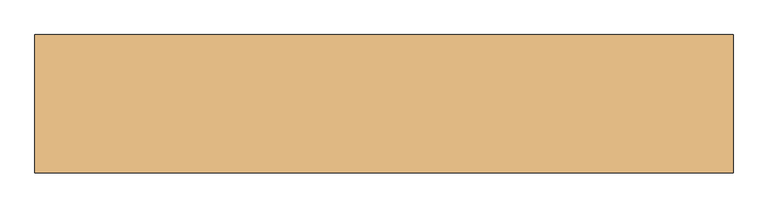
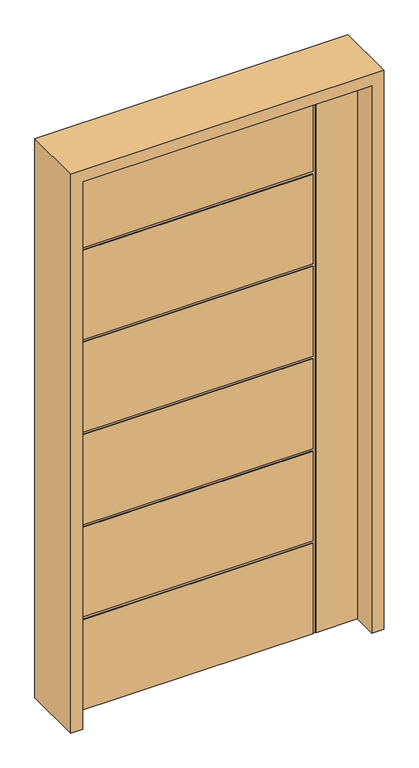
"""IFC4 building model written with IfcOpenShell, lengths in millimetres: door geometry."""

from ifc_helpers import new_model, si_unit, frame, origin, place, context, project, spatial, polyline, outline, extrude, faceted_brep, source, transform, mapped, element, save


def door_59eecf83(model_context):
    return source(origin(), model_context, "Body", "SolidModel", [
        faceted_brep([(-533.4, -22.225, 0.0), (-533.4, 22.225, 0.0), (369.824, 22.225, 0.0), (369.824, 18.923, 0.0), (379.73, 18.923, 0.0), (379.73, 22.225, 0.0), (533.4, 22.225, 0.0), (533.4, -22.225, 0.0), (379.73, -22.225, 0.0), (379.73, -19.05, 0.0), (369.824, -19.05, 0.0), (369.824, -22.225, 0.0), (-533.4, -22.225, 2133.6), (-533.4, 22.225, 2133.6), (-533.4, 22.225, 1801.368), (-533.4, 18.923, 1801.368), (-533.4, 18.923, 1791.462), (-533.4, 22.225, 1791.462), (-533.4, 22.225, 1441.45), (-533.4, 18.923, 1441.45), (-533.4, 18.923, 1431.544), (-533.4, 22.225, 1431.544), (-533.4, 22.225, 1081.532), (-533.4, 18.923, 1081.532), (-533.4, 18.923, 1071.626), (-533.4, 22.225, 1071.626), (-533.4, 22.225, 721.614), (-533.4, 18.923, 721.614), (-533.4, 18.923, 711.708), (-533.4, 22.225, 711.708), (-533.4, 22.225, 361.696), (-533.4, 18.923, 361.696), (-533.4, 18.923, 351.79), (-533.4, 22.225, 351.79), (-533.4, -22.225, 351.79), (-533.4, -19.05, 351.79), (-533.4, -19.05, 361.696), (-533.4, -22.225, 361.696), (-533.4, -22.225, 711.708), (-533.4, -19.05, 711.708), (-533.4, -19.05, 721.614), (-533.4, -22.225, 721.614), (-533.4, -22.225, 1071.626), (-533.4, -19.05, 1071.626), (-533.4, -19.05, 1081.532), (-533.4, -22.225, 1081.532), (-533.4, -22.225, 1431.544), (-533.4, -19.05, 1431.544), (-533.4, -19.05, 1441.45), (-533.4, -22.225, 1441.45), (-533.4, -22.225, 1791.462), (-533.4, -19.05, 1791.462), (-533.4, -19.05, 1801.368), (-533.4, -22.225, 1801.368), (369.824, 22.225, 351.79), (369.824, 22.225, 1791.462), (369.824, 22.225, 1441.45), (369.824, 22.225, 1431.544), (369.824, 22.225, 1081.532), (369.824, 22.225, 1071.626), (369.824, 22.225, 721.614), (369.824, 22.225, 711.708), (369.824, 22.225, 361.696), (533.4, 22.225, 2133.6), (379.73, 22.225, 2133.6), (369.824, 22.225, 2133.6), (369.824, 22.225, 1801.368), (369.824, 18.923, 351.79), (369.824, 18.923, 361.696), (369.824, 18.923, 711.708), (369.824, 18.923, 721.614), (369.824, 18.923, 1071.626), (369.824, 18.923, 1081.532), (369.824, 18.923, 1431.544), (369.824, 18.923, 1441.45), (369.824, 18.923, 1791.462), (369.824, 18.923, 1801.368), (369.824, 18.923, 2133.6), (379.73, 18.923, 2133.6), (533.4, -22.225, 2133.6), (369.824, -22.225, 351.79), (379.73, -22.225, 2133.6), (369.824, -22.225, 361.696), (369.824, -22.225, 711.708), (369.824, -22.225, 721.614), (369.824, -22.225, 1071.626), (369.824, -22.225, 1081.532), (369.824, -22.225, 1431.544), (369.824, -22.225, 1441.45), (369.824, -22.225, 1791.462), (369.824, -22.225, 2133.6), (369.824, -22.225, 1801.368), (369.824, -19.05, 2133.6), (379.73, -19.05, 2133.6), (369.824, -19.05, 361.696), (369.824, -19.05, 351.79), (369.824, -19.05, 1801.368), (369.824, -19.05, 1791.462), (369.824, -19.05, 1441.45), (369.824, -19.05, 1431.544), (369.824, -19.05, 1081.532), (369.824, -19.05, 1071.626), (369.824, -19.05, 721.614), (369.824, -19.05, 711.708)], [[[0, 1, 2, 3, 4, 5, 6, 7, 8, 9, 10, 11]], [[12, 13, 14, 15, 16, 17, 18, 19, 20, 21, 22, 23, 24, 25, 26, 27, 28, 29, 30, 31, 32, 33, 1, 0, 34, 35, 36, 37, 38, 39, 40, 41, 42, 43, 44, 45, 46, 47, 48, 49, 50, 51, 52, 53]], [[2, 1, 33, 54]], [[18, 17, 55, 56]], [[22, 21, 57, 58]], [[26, 25, 59, 60]], [[30, 29, 61, 62]], [[63, 6, 5, 64]], [[13, 65, 66, 14]], [[67, 3, 2, 54]], [[68, 69, 28, 27, 70, 71, 24, 23, 72, 73, 20, 19, 74, 75, 16, 15, 76, 77, 78, 4, 3, 67, 32, 31]], [[4, 78, 64, 5]], [[63, 79, 7, 6]], [[0, 11, 80, 34]], [[7, 79, 81, 8]], [[38, 37, 82, 83]], [[42, 41, 84, 85]], [[46, 45, 86, 87]], [[50, 49, 88, 89]], [[90, 12, 53, 91]], [[32, 67, 54, 33]], [[28, 69, 61, 29]], [[69, 68, 62, 61]], [[68, 31, 30, 62]], [[24, 71, 59, 25]], [[71, 70, 60, 59]], [[70, 27, 26, 60]], [[73, 72, 58, 57]], [[72, 23, 22, 58]], [[79, 63, 64, 78, 77, 65, 13, 12, 90, 92, 93, 81]], [[20, 73, 57, 21]], [[74, 19, 18, 56]], [[75, 74, 56, 55]], [[16, 75, 55, 17]], [[76, 15, 14, 66]], [[77, 76, 66, 65]], [[93, 9, 8, 81]], [[94, 36, 35, 95, 10, 9, 93, 92, 96, 52, 51, 97, 98, 48, 47, 99, 100, 44, 43, 101, 102, 40, 39, 103]], [[10, 95, 80, 11]], [[95, 35, 34, 80]], [[36, 94, 82, 37]], [[94, 103, 83, 82]], [[103, 39, 38, 83]], [[40, 102, 84, 41]], [[102, 101, 85, 84]], [[101, 43, 42, 85]], [[44, 100, 86, 45]], [[100, 99, 87, 86]], [[99, 47, 46, 87]], [[48, 98, 88, 49]], [[98, 97, 89, 88]], [[97, 51, 50, 89]], [[52, 96, 91, 53]], [[96, 92, 90, 91]]]),
        extrude(outline(polyline([(0.0, -577.85), (0.0, -533.4), (2133.6, -533.4), (2133.6, 533.4), (0.0, 533.4), (0.0, 577.85), (2178.05, 577.85), (2178.05, -577.85), (0.0, -577.85)])), frame((0.0, -114.3, 0.0), z_axis=(0.0, 1.0, 0.0), x_axis=(0.0, 0.0, 1.0)), (0.0, 0.0, 1.0), 228.6),
    ])


if __name__ == "__main__":
    model = new_model("IFC4")
    model_context = context("Model", 3, world=origin())
    ifc_project = project(units=[si_unit("LENGTHUNIT", "METRE", prefix="MILLI")], contexts=[model_context])
    site = spatial("IfcSite", under=ifc_project)
    building = spatial("IfcBuilding", under=site)
    placement = place(None, origin())
    door_shape = door_59eecf83(model_context)
    element("IfcDoor", 1, at=placement, inside=building, context=model_context, shape_type="MappedRepresentation", body=[
        mapped(door_shape, transform((0.0, 0.0, 0.0), x_axis=(1.0, 0.0, 0.0), y_axis=(0.0, 1.0, 0.0), z_axis=(0.0, 0.0, 1.0))),
    ])
    save(model, "model.ifc")
